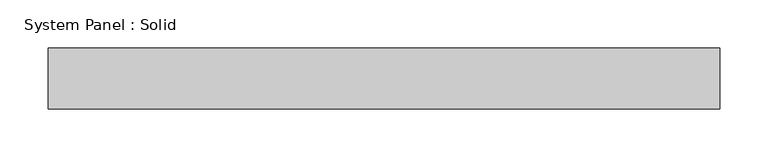
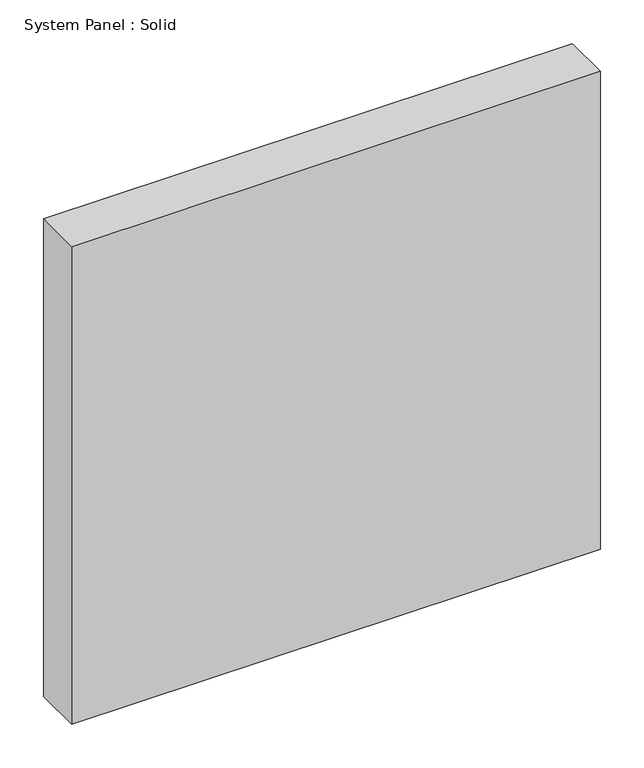
"""IFC4 building model written with IfcOpenShell, lengths in millimetres: plate geometry, System Panel : Solid."""

from ifc_helpers import new_model, si_unit, origin, origin_with_axes, place, context, project, spatial, polyline, outline, extrude, source, transform, mapped, element, save


def system_panel_solid_fd037ff6(model_context):
    return source(origin(), model_context, "Body", "SweptSolid", [
        extrude(outline(polyline([(349.25, -19.05), (-349.25, -19.05), (-349.25, 44.45), (349.25, 44.45), (349.25, -19.05)])), origin_with_axes(), (0.0, 0.0, 1.0), 666.75),
    ])


if __name__ == "__main__":
    model = new_model("IFC4")
    model_context = context("Model", 3, world=origin())
    ifc_project = project(units=[si_unit("LENGTHUNIT", "METRE", prefix="MILLI")], contexts=[model_context])
    site = spatial("IfcSite", under=ifc_project)
    building = spatial("IfcBuilding", under=site)
    placement = place(None, origin())
    system_panel_solid_shape = system_panel_solid_fd037ff6(model_context)
    element("IfcPlate", 1, ObjectType="System Panel : Solid", at=placement, inside=building, context=model_context, shape_type="MappedRepresentation", body=[
        mapped(system_panel_solid_shape, transform((0.0, 0.0, 0.0), x_axis=(1.0, 0.0, 0.0), y_axis=(0.0, 1.0, 0.0), z_axis=(0.0, 0.0, 1.0))),
    ])
    save(model, "model.ifc")
